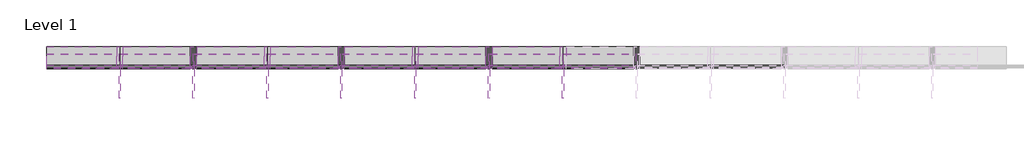
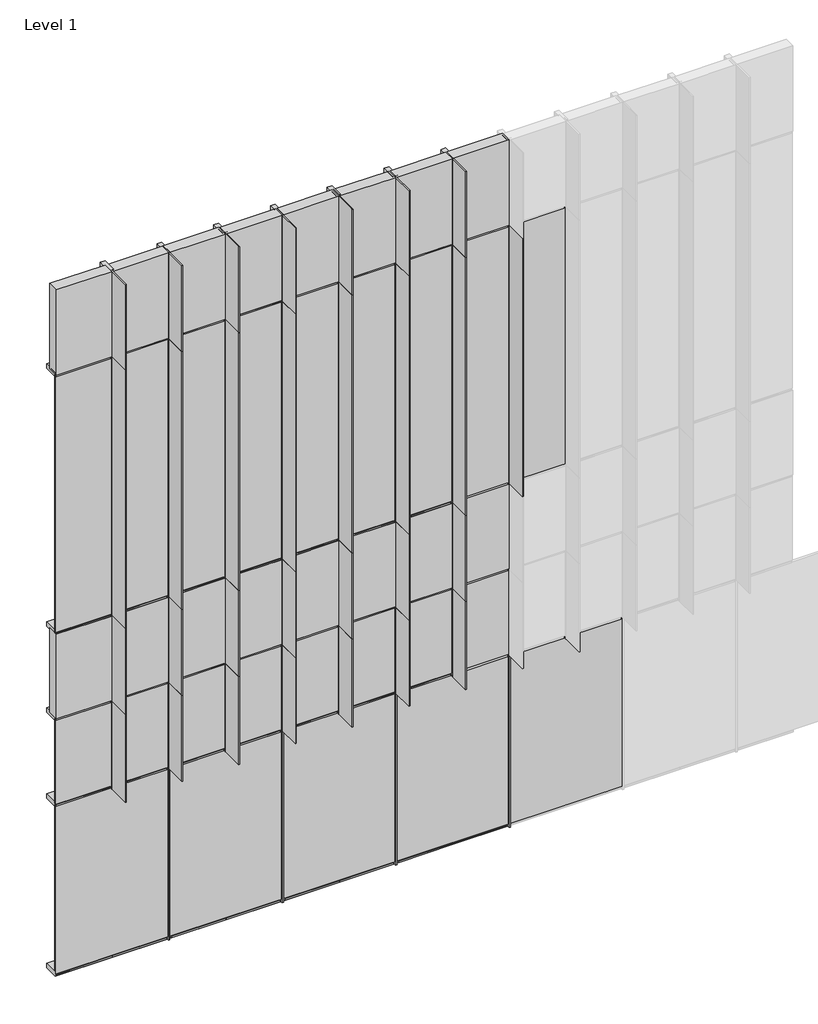
# One storey, part 1 of 15: 69 members, 38 plates.
"""IFC4 building model written with IfcOpenShell, lengths in millimetres."""

import ifcopenshell
import ifcopenshell.guid

model = None  # the IFC model being written
_history = None  # IfcOwnerHistory: only IFC2X3 demands one
_inside = {}  # id of a spatial element -> (the spatial element, [elements in it])
_under = {}  # id of a project, library or spatial element -> (it, [spatial elements below it])
_declared = {}  # id of a project -> (the project, [libraries it declares])
_typed = {}  # id of a type object -> (the type object, [elements of that type])
_made_of = {}  # id of a material, layer set ... -> (it, [elements and type objects made of it])


def new_model(schema):
    """Start an empty IFC model of exactly this schema.

    Asked for "IFC4X3", IfcOpenShell would pick the latest addendum, in which some entities
    have other attributes; the version numbers below select the first issue.
    IFC2X3 requires an IfcOwnerHistory on every rooted entity: one is made here for all.
    """
    global model, _history
    if schema == "IFC4X3":
        model = ifcopenshell.file(schema_version=(4, 3, 0, 0))
    else:
        model = ifcopenshell.file(schema=schema)
    _inside.clear()
    _under.clear()
    _declared.clear()
    _typed.clear()
    _made_of.clear()
    _history = None
    if model.schema == "IFC2X3":
        org = make("IfcOrganization", Name="unknown")
        user = make(
            "IfcPersonAndOrganization",
            ThePerson=make("IfcPerson", FamilyName="unknown"),
            TheOrganization=org,
        )
        app = make(
            "IfcApplication",
            ApplicationDeveloper=org,
            Version="unknown",
            ApplicationFullName="unknown",
            ApplicationIdentifier="unknown",
        )
        _history = make(
            "IfcOwnerHistory",
            OwningUser=user,
            OwningApplication=app,
            ChangeAction="ADDED",
            CreationDate=0,
        )
    return model


def make(cls, **values):
    """One entity of the class cls with the attributes given. An attribute that is None is left unset."""
    return model.create_entity(
        cls, **{name: value for name, value in values.items() if value is not None}
    )


def rooted(cls, **values):
    """An entity with a GlobalId (a new one), such as an element, a storey or a relation."""
    return make(cls, GlobalId=ifcopenshell.guid.new(), OwnerHistory=_history, **values)


def si_unit(unit_type, name, prefix=None):
    """IfcSIUnit, for example si_unit("LENGTHUNIT", "METRE", prefix="MILLI")."""
    return make("IfcSIUnit", UnitType=unit_type, Prefix=prefix, Name=name)


def assignment(units):
    """IfcUnitAssignment: the units of a project."""
    return None if units is None else make("IfcUnitAssignment", Units=units)


def point(xyz):
    """IfcCartesianPoint."""
    return None if xyz is None else make("IfcCartesianPoint", Coordinates=xyz)


def direction(xyz):
    """IfcDirection."""
    return None if xyz is None else make("IfcDirection", DirectionRatios=xyz)


def frame(location, z_axis=None, x_axis=None):
    """IfcAxis2Placement3D, a coordinate frame: its origin and axes. An axis left out is left unset."""
    return make(
        "IfcAxis2Placement3D",
        Location=point(location),
        Axis=direction(z_axis),
        RefDirection=direction(x_axis),
    )


def origin():
    """The frame at (0, 0, 0) with its axes left unset."""
    return frame((0.0, 0.0, 0.0))


def origin_with_axes():
    """The frame at (0, 0, 0) with the z axis (0, 0, 1) and the x axis (1, 0, 0) written out."""
    return frame((0.0, 0.0, 0.0), z_axis=(0.0, 0.0, 1.0), x_axis=(1.0, 0.0, 0.0))


def place(relative_to, where):
    """IfcLocalPlacement: puts the frame where relative to a parent placement (None: the world)."""
    return make(
        "IfcLocalPlacement", PlacementRelTo=relative_to, RelativePlacement=where
    )


def context(
    kind, dimensions, precision=None, world=None, true_north=None, identifier=None
):
    """IfcGeometricRepresentationContext, for example the 3D "Model" context."""
    return make(
        "IfcGeometricRepresentationContext",
        ContextIdentifier=identifier,
        ContextType=kind,
        CoordinateSpaceDimension=dimensions,
        Precision=precision,
        WorldCoordinateSystem=world,
        TrueNorth=true_north,
    )


def project(units=None, contexts=None):
    """IfcProject with its units and contexts."""
    return rooted(
        "IfcProject",
        Name="project",
        RepresentationContexts=contexts,
        UnitsInContext=assignment(units),
    )


def spatial(cls, under=None, at=None, **own):
    """A site, building, storey or space (cls), placed at a placement, below another one or the project."""
    s = rooted(cls, ObjectPlacement=at, **own)
    if under is not None:
        _under.setdefault(under.id(), (under, []))[1].append(s)
    return s


def polyline(points):
    """IfcPolyline through the points."""
    return make("IfcPolyline", Points=[point(p) for p in points])


def outline(outer, holes=None, kind="AREA"):
    """IfcArbitraryClosedProfileDef: a profile drawn as a closed curve; with holes, ...WithVoids."""
    if holes is None:
        return make("IfcArbitraryClosedProfileDef", ProfileType=kind, OuterCurve=outer)
    return make(
        "IfcArbitraryProfileDefWithVoids",
        ProfileType=kind,
        OuterCurve=outer,
        InnerCurves=holes,
    )


def extrude(swept, where, along, depth):
    """IfcExtrudedAreaSolid: the profile swept, set in the frame where, extruded along a direction by depth."""
    return make(
        "IfcExtrudedAreaSolid",
        SweptArea=swept,
        Position=where,
        ExtrudedDirection=direction(along),
        Depth=depth,
    )


def shape(context_of_items, identifier, shape_type, items):
    """IfcShapeRepresentation: the items that make up one representation, for example the "Body"."""
    return make(
        "IfcShapeRepresentation",
        ContextOfItems=context_of_items,
        RepresentationIdentifier=identifier,
        RepresentationType=shape_type,
        Items=items,
    )


def source(mapping_origin, context_of_items, identifier, shape_type, items):
    """IfcRepresentationMap: a shape defined once, which mapped items show again and again."""
    return make(
        "IfcRepresentationMap",
        MappingOrigin=mapping_origin,
        MappedRepresentation=shape(context_of_items, identifier, shape_type, items),
    )


def transform(
    local_origin,
    x_axis=None,
    y_axis=None,
    z_axis=None,
    scale=None,
    scale2=None,
    scale3=None,
    uniform=True,
):
    """IfcCartesianTransformationOperator3D, or its non-uniform kind. x_axis, y_axis, z_axis: its Axis1, 2, 3."""
    if uniform:
        return make(
            "IfcCartesianTransformationOperator3D",
            Axis1=direction(x_axis),
            Axis2=direction(y_axis),
            LocalOrigin=point(local_origin),
            Scale=scale,
            Axis3=direction(z_axis),
        )
    return make(
        "IfcCartesianTransformationOperator3DnonUniform",
        Axis1=direction(x_axis),
        Axis2=direction(y_axis),
        LocalOrigin=point(local_origin),
        Scale=scale,
        Axis3=direction(z_axis),
        Scale2=scale2,
        Scale3=scale3,
    )


def mapped(mapping_source, mapping_target):
    """IfcMappedItem: shows the shape of a source again, moved by a transform."""
    return make(
        "IfcMappedItem", MappingSource=mapping_source, MappingTarget=mapping_target
    )


def made_of(thing, what):
    """Note that an element or type object is made of a material, layer set ...; save() writes the relation."""
    if what is not None:
        _made_of.setdefault(what.id(), (what, []))[1].append(thing)
    return thing


def element(
    cls,
    number,
    at=None,
    inside=None,
    cuts=None,
    type_object=None,
    material=None,
    context=None,
    identifier="Body",
    shape_type=None,
    held_by="IfcProductDefinitionShape",
    body=None,
    shapes=None,
    **own,
):
    """One element of the class cls, such as IfcWall. Its Tag is "e" and its number.

    at: its placement. inside: the storey or other place that contains it. cuts: it is an
    opening in that element (IfcRelVoidsElement). A single representation is given by context,
    identifier, shape_type and body (its items); several are given by shapes. held_by: the class
    of the entity that holds the representations. save() writes the other relations.
    """
    e = rooted(cls, Tag="e%d" % number, ObjectPlacement=at, **own)
    if body is not None:
        shapes = [shape(context, identifier, shape_type, body)]
    if shapes is not None:
        e.Representation = make(held_by, Representations=shapes)
    if inside is not None:
        _inside.setdefault(inside.id(), (inside, []))[1].append(e)
    if cuts is not None:
        rooted(
            "IfcRelVoidsElement", RelatingBuildingElement=cuts, RelatedOpeningElement=e
        )
    if type_object is not None:
        _typed.setdefault(type_object.id(), (type_object, []))[1].append(e)
    return made_of(e, material)


def aggregate(whole, parts):
    """IfcRelAggregates: a whole, such as a stair, and the parts it consists of."""
    return rooted("IfcRelAggregates", RelatingObject=whole, RelatedObjects=parts)


def save(model, path):
    """Write the relations noted so far, then the file.

    IfcRelAggregates (storeys below a building ...), IfcRelContainedInSpatialStructure (elements
    in a storey), IfcRelDefinesByType, IfcRelAssociatesMaterial and IfcRelDeclares: one each for
    every whole, place, type object, material and project.
    """
    for whole, parts in _under.values():
        aggregate(whole, parts)
    for where, things in _inside.values():
        rooted(
            "IfcRelContainedInSpatialStructure",
            RelatedElements=things,
            RelatingStructure=where,
        )
    for kind, things in _typed.values():
        rooted("IfcRelDefinesByType", RelatedObjects=things, RelatingType=kind)
    for what, things in _made_of.values():
        rooted("IfcRelAssociatesMaterial", RelatedObjects=things, RelatingMaterial=what)
    for by, libraries in _declared.values():
        rooted("IfcRelDeclares", RelatingContext=by, RelatedDefinitions=libraries)
    model.write(path)


def rectangular_mullion_658b0388(model_context):
    return source(origin(), model_context, "Body", "SweptSolid", [
        extrude(outline(polyline([(33.2101153, -228.6), (-30.2898847, -228.6), (-30.2898847, -26.9875), (-8.0648847, -26.9875), (-8.0648847, 0.0), (-4.8898847, 0.0), (-4.8898847, 304.8), (7.8101153, 304.8), (7.8101153, 0.0), (10.9851153, 0.0), (10.9851153, -26.9875), (33.2101153, -26.9875), (33.2101153, -228.6)])), frame((0.0, 0.0, -3657.6), z_axis=(0.0, 0.0, 1.0), x_axis=(1.0, 0.0, 0.0)), (0.0, 0.0, 1.0), 3657.6),
    ])


def rectangular_mullion_40a1b22a(model_context):
    return source(origin(), model_context, "Body", "SweptSolid", [
        extrude(outline(polyline([(33.2101153, -228.6), (-30.2898847, -228.6), (-30.2898847, -26.9875), (-8.0648847, -26.9875), (-8.0648847, 0.0), (-4.8898847, 0.0), (-4.8898847, 304.8), (7.8101153, 304.8), (7.8101153, 0.0), (10.9851153, 0.0), (10.9851153, -26.9875), (33.2101153, -26.9875), (33.2101153, -228.6)])), frame((0.0, 0.0, -1219.2), z_axis=(0.0, 0.0, 1.0), x_axis=(1.0, 0.0, 0.0)), (0.0, 0.0, 1.0), 1219.2),
    ])


def rectangular_mullion_a5d22d6a(model_context):
    return source(origin(), model_context, "Body", "SweptSolid", [
        extrude(outline(polyline([(31.75, -228.6), (-31.75, -228.6), (-31.75, -26.9875), (-9.525, -26.9875), (-9.525, 0.0), (9.525, 0.0), (9.525, -26.9875), (31.75, -26.9875), (31.75, -228.6)])), frame((0.0, 0.0, -722.1851162), z_axis=(0.0, 0.0, 1.0), x_axis=(1.0, 0.0, 0.0)), (0.0, 0.0, 1.0), 722.1851162),
    ])


def rectangular_mullion_8a8c6ea4(model_context):
    return source(origin(), model_context, "Body", "SweptSolid", [
        extrude(outline(polyline([(31.75, -228.6), (-31.75, -228.6), (-31.75, -26.9875), (-9.525, -26.9875), (-9.525, 0.0), (9.525, 0.0), (9.525, -26.9875), (31.75, -26.9875), (31.75, -228.6)])), frame((0.0, 0.0, -698.5), z_axis=(0.0, 0.0, 1.0), x_axis=(1.0, 0.0, 0.0)), (0.0, 0.0, 1.0), 698.5),
    ])


def rectangular_mullion_2ba164b7(model_context):
    return source(origin(), model_context, "Body", "SweptSolid", [
        extrude(outline(polyline([(31.75, -228.6), (-31.75, -228.6), (-31.75, -26.9875), (-9.525, -26.9875), (-9.525, 0.0), (9.525, 0.0), (9.525, -26.9875), (31.75, -26.9875), (31.75, -228.6)])), frame((0.0, 0.0, -2438.4), z_axis=(0.0, 0.0, 1.0), x_axis=(1.0, 0.0, 0.0)), (0.0, 0.0, 1.0), 2438.4),
    ])


def rectangular_mullion_79c372c8(model_context):
    return source(origin(), model_context, "Body", "SweptSolid", [
        extrude(outline(polyline([(33.2101153, -228.6), (-30.2898847, -228.6), (-30.2898847, -26.9875), (-8.0648847, -26.9875), (-8.0648847, 0.0), (-4.8898847, 0.0), (-4.8898847, 304.8), (7.8101153, 304.8), (7.8101153, 0.0), (10.9851153, 0.0), (10.9851153, -26.9875), (33.2101153, -26.9875), (33.2101153, -228.6)])), frame((0.0, 0.0, -1250.95), z_axis=(0.0, 0.0, 1.0), x_axis=(1.0, 0.0, 0.0)), (0.0, 0.0, 1.0), 1250.95),
    ])


def rectangular_mullion_a8ff40d3(model_context):
    return source(origin(), model_context, "Body", "SweptSolid", [
        extrude(outline(polyline([(31.75, -228.6), (-31.75, -228.6), (-31.75, -26.9875), (-9.525, -26.9875), (-9.525, 0.0), (9.525, 0.0), (9.525, -26.9875), (31.75, -26.9875), (31.75, -228.6)])), frame((0.0, 0.0, -697.0398847), z_axis=(0.0, 0.0, 1.0), x_axis=(1.0, 0.0, 0.0)), (0.0, 0.0, 1.0), 697.0398847),
    ])


def rectangular_mullion_34b15848(model_context):
    return source(origin(), model_context, "Body", "SweptSolid", [
        extrude(outline(polyline([(-63.5, -228.6), (-63.5, -26.9875), (-41.275, -26.9875), (-41.275, 0.0), (-22.225, 0.0), (-22.225, -26.9875), (0.0, -26.9875), (0.0, -228.6), (-63.5, -228.6)])), frame((0.0, 0.0, -730.25), z_axis=(0.0, 0.0, 1.0), x_axis=(1.0, 0.0, 0.0)), (0.0, 0.0, 1.0), 730.25),
    ])


def rectangular_mullion_8ed8d436(model_context):
    return source(origin(), model_context, "Body", "SweptSolid", [
        extrude(outline(polyline([(-63.5, -228.6), (-63.5, -26.9875), (-41.275, -26.9875), (-41.275, 0.0), (-22.225, 0.0), (-22.225, -26.9875), (0.0, -26.9875), (0.0, -228.6), (-63.5, -228.6)])), frame((0.0, 0.0, -752.475), z_axis=(0.0, 0.0, 1.0), x_axis=(1.0, 0.0, 0.0)), (0.0, 0.0, 1.0), 752.475),
    ])


def plate_6c5fabed(model_context):
    return source(origin(), model_context, "Body", "SweptSolid", [
        extrude(outline(polyline([(0.0, -752.475), (0.0, 0.0), (0.0, 752.475), (2387.6, 752.475), (2387.6, 0.0), (2387.6, -752.475), (0.0, -752.475)])), frame((0.0, 12.7, 0.0), z_axis=(0.0, 1.0, 0.0), x_axis=(0.0, 0.0, 1.0)), (0.0, 0.0, 1.0), 25.4),
    ])


def plate_482c9e5e(model_context):
    return source(origin(), model_context, "Body", "SweptSolid", [
        extrude(outline(polyline([(372.2050581, 12.7), (-372.2050581, 12.7), (-372.2050581, 38.1), (372.2050581, 38.1), (372.2050581, 12.7)])), origin_with_axes(), (0.0, 0.0, 1.0), 3638.55),
    ])


def plate_a50c4586(model_context):
    return source(origin(), model_context, "Body", "SweptSolid", [
        extrude(outline(polyline([(371.475, 12.7), (-371.475, 12.7), (-371.475, 38.1), (371.475, 38.1), (371.475, 12.7)])), origin_with_axes(), (0.0, 0.0, 1.0), 3638.55),
    ])


def plate_683185c3(model_context):
    return source(origin(), model_context, "Body", "SweptSolid", [
        extrude(outline(polyline([(372.2050577, 12.7), (-372.2050577, 12.7), (-372.2050577, 38.1), (372.2050577, 38.1), (372.2050577, 12.7)])), origin_with_axes(), (0.0, 0.0, 1.0), 1200.15),
    ])


def plate_fd20e3dd(model_context):
    return source(origin(), model_context, "Body", "SweptSolid", [
        extrude(outline(polyline([(371.475, 12.7), (-371.475, 12.7), (-371.475, 38.1), (371.475, 38.1), (371.475, 12.7)])), origin_with_axes(), (0.0, 0.0, 1.0), 1200.15),
    ])


def plate_d3d3ff75(model_context):
    return source(origin(), model_context, "Body", "SweptSolid", [
        extrude(outline(polyline([(372.2050577, 0.0), (-372.2050577, 0.0), (-372.2050577, 152.4), (372.2050577, 152.4), (372.2050577, 0.0)])), origin_with_axes(), (0.0, 0.0, 1.0), 1200.15),
    ])


def plate_d4540562(model_context):
    return source(origin(), model_context, "Body", "SweptSolid", [
        extrude(outline(polyline([(371.475, 0.0), (-371.475, 0.0), (-371.475, 152.4), (371.475, 152.4), (371.475, 0.0)])), origin_with_axes(), (0.0, 0.0, 1.0), 1200.15),
    ])


def plate_33d166f4(model_context):
    return source(origin(), model_context, "Body", "SweptSolid", [
        extrude(outline(polyline([(372.2050577, 0.0), (-372.2050577, 0.0), (-372.2050577, 152.4), (372.2050577, 152.4), (372.2050577, 0.0)])), origin_with_axes(), (0.0, 0.0, 1.0), 1209.675),
    ])


def plate_23171f9a(model_context):
    return source(origin(), model_context, "Body", "SweptSolid", [
        extrude(outline(polyline([(371.475, 0.0), (-371.475, 0.0), (-371.475, 152.4), (371.475, 152.4), (371.475, 0.0)])), origin_with_axes(), (0.0, 0.0, 1.0), 1209.675),
    ])


model = new_model("IFC4")

# Units and contexts
model_context = context("Model", 3, world=origin())
ifc_project = project(units=[si_unit("LENGTHUNIT", "METRE", prefix="MILLI")], contexts=[model_context])

# Site, building, storey
site = spatial("IfcSite", under=ifc_project)
building = spatial("IfcBuilding", under=site)
storey = spatial("IfcBuildingStorey", under=building, Name="Level 1", Elevation=0.0)

# Members
placement = place(None, origin())
rectangular_mullion_shape = rectangular_mullion_658b0388(model_context)
element("IfcMember", 1, ObjectType="Rectangular Mullion", at=placement, inside=storey, context=model_context, shape_type="MappedRepresentation", body=[
    mapped(rectangular_mullion_shape, transform((186743.8928019, 88347.5014, 4876.8), x_axis=(1.0, 0.0, 0.0), y_axis=(0.0, -1.0, 0.0), z_axis=(0.0, 0.0, -1.0))),
])
element("IfcMember", 2, ObjectType="Rectangular Mullion", at=placement, inside=storey, context=model_context, shape_type="MappedRepresentation", body=[
    mapped(rectangular_mullion_shape, transform((187505.8928019, 88347.5014, 4876.8), x_axis=(1.0, 0.0, 0.0), y_axis=(0.0, -1.0, 0.0), z_axis=(0.0, 0.0, -1.0))),
])
element("IfcMember", 3, ObjectType="Rectangular Mullion", at=placement, inside=storey, context=model_context, shape_type="MappedRepresentation", body=[
    mapped(rectangular_mullion_shape, transform((188267.8928019, 88347.5014, 4876.8), x_axis=(1.0, 0.0, 0.0), y_axis=(0.0, -1.0, 0.0), z_axis=(0.0, 0.0, -1.0))),
])
element("IfcMember", 4, ObjectType="Rectangular Mullion", at=placement, inside=storey, context=model_context, shape_type="MappedRepresentation", body=[
    mapped(rectangular_mullion_shape, transform((189029.8928019, 88347.5014, 4876.8), x_axis=(1.0, 0.0, 0.0), y_axis=(0.0, -1.0, 0.0), z_axis=(0.0, 0.0, -1.0))),
])
element("IfcMember", 5, ObjectType="Rectangular Mullion", at=placement, inside=storey, context=model_context, shape_type="MappedRepresentation", body=[
    mapped(rectangular_mullion_shape, transform((189791.8928019, 88347.5014, 4876.8), x_axis=(1.0, 0.0, 0.0), y_axis=(0.0, -1.0, 0.0), z_axis=(0.0, 0.0, -1.0))),
])
element("IfcMember", 6, ObjectType="Rectangular Mullion", at=placement, inside=storey, context=model_context, shape_type="MappedRepresentation", body=[
    mapped(rectangular_mullion_shape, transform((190553.8928019, 88347.5014, 4876.8), x_axis=(1.0, 0.0, 0.0), y_axis=(0.0, -1.0, 0.0), z_axis=(0.0, 0.0, -1.0))),
])
element("IfcMember", 7, ObjectType="Rectangular Mullion", at=placement, inside=storey, context=model_context, shape_type="MappedRepresentation", body=[
    mapped(rectangular_mullion_shape, transform((191315.8928019, 88347.5014, 4876.8), x_axis=(1.0, 0.0, 0.0), y_axis=(0.0, -1.0, 0.0), z_axis=(0.0, 0.0, -1.0))),
])
element("IfcMember", 8, ObjectType="Rectangular Mullion", at=placement, inside=storey, context=model_context, shape_type="MappedRepresentation", body=[
    mapped(rectangular_mullion_shape, transform((192077.8928019, 88347.5014, 4876.8), x_axis=(1.0, 0.0, 0.0), y_axis=(0.0, -1.0, 0.0), z_axis=(0.0, 0.0, -1.0))),
])
rectangular_mullion_2_shape = rectangular_mullion_40a1b22a(model_context)
element("IfcMember", 9, ObjectType="Rectangular Mullion", at=placement, inside=storey, context=model_context, shape_type="MappedRepresentation", body=[
    mapped(rectangular_mullion_2_shape, transform((186743.8928019, 88347.5014, 3657.6), x_axis=(1.0, 0.0, 0.0), y_axis=(0.0, -1.0, 0.0), z_axis=(0.0, 0.0, -1.0))),
])
element("IfcMember", 10, ObjectType="Rectangular Mullion", at=placement, inside=storey, context=model_context, shape_type="MappedRepresentation", body=[
    mapped(rectangular_mullion_2_shape, transform((187505.8928019, 88347.5014, 3657.6), x_axis=(1.0, 0.0, 0.0), y_axis=(0.0, -1.0, 0.0), z_axis=(0.0, 0.0, -1.0))),
])
element("IfcMember", 11, ObjectType="Rectangular Mullion", at=placement, inside=storey, context=model_context, shape_type="MappedRepresentation", body=[
    mapped(rectangular_mullion_2_shape, transform((188267.8928019, 88347.5014, 3657.6), x_axis=(1.0, 0.0, 0.0), y_axis=(0.0, -1.0, 0.0), z_axis=(0.0, 0.0, -1.0))),
])
element("IfcMember", 12, ObjectType="Rectangular Mullion", at=placement, inside=storey, context=model_context, shape_type="MappedRepresentation", body=[
    mapped(rectangular_mullion_2_shape, transform((189029.8928019, 88347.5014, 3657.6), x_axis=(1.0, 0.0, 0.0), y_axis=(0.0, -1.0, 0.0), z_axis=(0.0, 0.0, -1.0))),
])
element("IfcMember", 13, ObjectType="Rectangular Mullion", at=placement, inside=storey, context=model_context, shape_type="MappedRepresentation", body=[
    mapped(rectangular_mullion_2_shape, transform((189791.8928019, 88347.5014, 3657.6), x_axis=(1.0, 0.0, 0.0), y_axis=(0.0, -1.0, 0.0), z_axis=(0.0, 0.0, -1.0))),
])
element("IfcMember", 14, ObjectType="Rectangular Mullion", at=placement, inside=storey, context=model_context, shape_type="MappedRepresentation", body=[
    mapped(rectangular_mullion_2_shape, transform((190553.8928019, 88347.5014, 3657.6), x_axis=(1.0, 0.0, 0.0), y_axis=(0.0, -1.0, 0.0), z_axis=(0.0, 0.0, -1.0))),
])
element("IfcMember", 15, ObjectType="Rectangular Mullion", at=placement, inside=storey, context=model_context, shape_type="MappedRepresentation", body=[
    mapped(rectangular_mullion_2_shape, transform((191315.8928019, 88347.5014, 3657.6), x_axis=(1.0, 0.0, 0.0), y_axis=(0.0, -1.0, 0.0), z_axis=(0.0, 0.0, -1.0))),
])
element("IfcMember", 16, ObjectType="Rectangular Mullion", at=placement, inside=storey, context=model_context, shape_type="MappedRepresentation", body=[
    mapped(rectangular_mullion_2_shape, transform((186743.8928019, 88347.5014, 8534.4), x_axis=(1.0, 0.0, 0.0), y_axis=(0.0, -1.0, 0.0), z_axis=(0.0, 0.0, -1.0))),
])
element("IfcMember", 17, ObjectType="Rectangular Mullion", at=placement, inside=storey, context=model_context, shape_type="MappedRepresentation", body=[
    mapped(rectangular_mullion_2_shape, transform((187505.8928019, 88347.5014, 8534.4), x_axis=(1.0, 0.0, 0.0), y_axis=(0.0, -1.0, 0.0), z_axis=(0.0, 0.0, -1.0))),
])
element("IfcMember", 18, ObjectType="Rectangular Mullion", at=placement, inside=storey, context=model_context, shape_type="MappedRepresentation", body=[
    mapped(rectangular_mullion_2_shape, transform((188267.8928019, 88347.5014, 8534.4), x_axis=(1.0, 0.0, 0.0), y_axis=(0.0, -1.0, 0.0), z_axis=(0.0, 0.0, -1.0))),
])
element("IfcMember", 19, ObjectType="Rectangular Mullion", at=placement, inside=storey, context=model_context, shape_type="MappedRepresentation", body=[
    mapped(rectangular_mullion_2_shape, transform((189029.8928019, 88347.5014, 8534.4), x_axis=(1.0, 0.0, 0.0), y_axis=(0.0, -1.0, 0.0), z_axis=(0.0, 0.0, -1.0))),
])
element("IfcMember", 20, ObjectType="Rectangular Mullion", at=placement, inside=storey, context=model_context, shape_type="MappedRepresentation", body=[
    mapped(rectangular_mullion_2_shape, transform((189791.8928019, 88347.5014, 8534.4), x_axis=(1.0, 0.0, 0.0), y_axis=(0.0, -1.0, 0.0), z_axis=(0.0, 0.0, -1.0))),
])
element("IfcMember", 21, ObjectType="Rectangular Mullion", at=placement, inside=storey, context=model_context, shape_type="MappedRepresentation", body=[
    mapped(rectangular_mullion_2_shape, transform((190553.8928019, 88347.5014, 8534.4), x_axis=(1.0, 0.0, 0.0), y_axis=(0.0, -1.0, 0.0), z_axis=(0.0, 0.0, -1.0))),
])
element("IfcMember", 22, ObjectType="Rectangular Mullion", at=placement, inside=storey, context=model_context, shape_type="MappedRepresentation", body=[
    mapped(rectangular_mullion_2_shape, transform((191315.8928019, 88347.5014, 8534.4), x_axis=(1.0, 0.0, 0.0), y_axis=(0.0, -1.0, 0.0), z_axis=(0.0, 0.0, -1.0))),
])
rectangular_mullion_3_shape = rectangular_mullion_a5d22d6a(model_context)
element("IfcMember", 23, ObjectType="Rectangular Mullion", at=placement, inside=storey, context=model_context, shape_type="MappedRepresentation", body=[
    mapped(rectangular_mullion_3_shape, transform((186713.6029172, 88347.5014, 4876.8), x_axis=(0.0, 0.0, 1.0), y_axis=(0.0, -1.0, 0.0), z_axis=(1.0, 0.0, 0.0))),
])
element("IfcMember", 24, ObjectType="Rectangular Mullion", at=placement, inside=storey, context=model_context, shape_type="MappedRepresentation", body=[
    mapped(rectangular_mullion_3_shape, transform((186713.6029172, 88347.5014, 3657.6), x_axis=(0.0, 0.0, 1.0), y_axis=(0.0, -1.0, 0.0), z_axis=(1.0, 0.0, 0.0))),
])
element("IfcMember", 25, ObjectType="Rectangular Mullion", at=placement, inside=storey, context=model_context, shape_type="MappedRepresentation", body=[
    mapped(rectangular_mullion_3_shape, transform((186713.6029172, 88347.5014, 8534.4), x_axis=(0.0, 0.0, 1.0), y_axis=(0.0, -1.0, 0.0), z_axis=(1.0, 0.0, 0.0))),
])
element("IfcMember", 26, ObjectType="Rectangular Mullion", at=placement, inside=storey, context=model_context, shape_type="MappedRepresentation", body=[
    mapped(rectangular_mullion_3_shape, transform((186713.6029172, 88347.5014, 2438.4), x_axis=(0.0, 0.0, 1.0), y_axis=(0.0, -1.0, 0.0), z_axis=(1.0, 0.0, 0.0))),
])
rectangular_mullion_4_shape = rectangular_mullion_8a8c6ea4(model_context)
element("IfcMember", 27, ObjectType="Rectangular Mullion", at=placement, inside=storey, context=model_context, shape_type="MappedRepresentation", body=[
    mapped(rectangular_mullion_4_shape, transform((187475.6029172, 88347.5014, 4876.8), x_axis=(0.0, 0.0, 1.0), y_axis=(0.0, -1.0, 0.0), z_axis=(1.0, 0.0, 0.0))),
])
element("IfcMember", 28, ObjectType="Rectangular Mullion", at=placement, inside=storey, context=model_context, shape_type="MappedRepresentation", body=[
    mapped(rectangular_mullion_4_shape, transform((188237.6029172, 88347.5014, 4876.8), x_axis=(0.0, 0.0, 1.0), y_axis=(0.0, -1.0, 0.0), z_axis=(1.0, 0.0, 0.0))),
])
element("IfcMember", 29, ObjectType="Rectangular Mullion", at=placement, inside=storey, context=model_context, shape_type="MappedRepresentation", body=[
    mapped(rectangular_mullion_4_shape, transform((188999.6029172, 88347.5014, 4876.8), x_axis=(0.0, 0.0, 1.0), y_axis=(0.0, -1.0, 0.0), z_axis=(1.0, 0.0, 0.0))),
])
element("IfcMember", 30, ObjectType="Rectangular Mullion", at=placement, inside=storey, context=model_context, shape_type="MappedRepresentation", body=[
    mapped(rectangular_mullion_4_shape, transform((189761.6029172, 88347.5014, 4876.8), x_axis=(0.0, 0.0, 1.0), y_axis=(0.0, -1.0, 0.0), z_axis=(1.0, 0.0, 0.0))),
])
element("IfcMember", 31, ObjectType="Rectangular Mullion", at=placement, inside=storey, context=model_context, shape_type="MappedRepresentation", body=[
    mapped(rectangular_mullion_4_shape, transform((190523.6029172, 88347.5014, 4876.8), x_axis=(0.0, 0.0, 1.0), y_axis=(0.0, -1.0, 0.0), z_axis=(1.0, 0.0, 0.0))),
])
element("IfcMember", 32, ObjectType="Rectangular Mullion", at=placement, inside=storey, context=model_context, shape_type="MappedRepresentation", body=[
    mapped(rectangular_mullion_4_shape, transform((191285.6029172, 88347.5014, 4876.8), x_axis=(0.0, 0.0, 1.0), y_axis=(0.0, -1.0, 0.0), z_axis=(1.0, 0.0, 0.0))),
])
element("IfcMember", 33, ObjectType="Rectangular Mullion", at=placement, inside=storey, context=model_context, shape_type="MappedRepresentation", body=[
    mapped(rectangular_mullion_4_shape, transform((187475.6029172, 88347.5014, 3657.6), x_axis=(0.0, 0.0, 1.0), y_axis=(0.0, -1.0, 0.0), z_axis=(1.0, 0.0, 0.0))),
])
element("IfcMember", 34, ObjectType="Rectangular Mullion", at=placement, inside=storey, context=model_context, shape_type="MappedRepresentation", body=[
    mapped(rectangular_mullion_4_shape, transform((188237.6029172, 88347.5014, 3657.6), x_axis=(0.0, 0.0, 1.0), y_axis=(0.0, -1.0, 0.0), z_axis=(1.0, 0.0, 0.0))),
])
element("IfcMember", 35, ObjectType="Rectangular Mullion", at=placement, inside=storey, context=model_context, shape_type="MappedRepresentation", body=[
    mapped(rectangular_mullion_4_shape, transform((188999.6029172, 88347.5014, 3657.6), x_axis=(0.0, 0.0, 1.0), y_axis=(0.0, -1.0, 0.0), z_axis=(1.0, 0.0, 0.0))),
])
element("IfcMember", 36, ObjectType="Rectangular Mullion", at=placement, inside=storey, context=model_context, shape_type="MappedRepresentation", body=[
    mapped(rectangular_mullion_4_shape, transform((189761.6029172, 88347.5014, 3657.6), x_axis=(0.0, 0.0, 1.0), y_axis=(0.0, -1.0, 0.0), z_axis=(1.0, 0.0, 0.0))),
])
element("IfcMember", 37, ObjectType="Rectangular Mullion", at=placement, inside=storey, context=model_context, shape_type="MappedRepresentation", body=[
    mapped(rectangular_mullion_4_shape, transform((190523.6029172, 88347.5014, 3657.6), x_axis=(0.0, 0.0, 1.0), y_axis=(0.0, -1.0, 0.0), z_axis=(1.0, 0.0, 0.0))),
])
element("IfcMember", 38, ObjectType="Rectangular Mullion", at=placement, inside=storey, context=model_context, shape_type="MappedRepresentation", body=[
    mapped(rectangular_mullion_4_shape, transform((191285.6029172, 88347.5014, 3657.6), x_axis=(0.0, 0.0, 1.0), y_axis=(0.0, -1.0, 0.0), z_axis=(1.0, 0.0, 0.0))),
])
element("IfcMember", 39, ObjectType="Rectangular Mullion", at=placement, inside=storey, context=model_context, shape_type="MappedRepresentation", body=[
    mapped(rectangular_mullion_4_shape, transform((187475.6029172, 88347.5014, 8534.4), x_axis=(0.0, 0.0, 1.0), y_axis=(0.0, -1.0, 0.0), z_axis=(1.0, 0.0, 0.0))),
])
element("IfcMember", 40, ObjectType="Rectangular Mullion", at=placement, inside=storey, context=model_context, shape_type="MappedRepresentation", body=[
    mapped(rectangular_mullion_4_shape, transform((188237.6029172, 88347.5014, 8534.4), x_axis=(0.0, 0.0, 1.0), y_axis=(0.0, -1.0, 0.0), z_axis=(1.0, 0.0, 0.0))),
])
element("IfcMember", 41, ObjectType="Rectangular Mullion", at=placement, inside=storey, context=model_context, shape_type="MappedRepresentation", body=[
    mapped(rectangular_mullion_4_shape, transform((188999.6029172, 88347.5014, 8534.4), x_axis=(0.0, 0.0, 1.0), y_axis=(0.0, -1.0, 0.0), z_axis=(1.0, 0.0, 0.0))),
])
element("IfcMember", 42, ObjectType="Rectangular Mullion", at=placement, inside=storey, context=model_context, shape_type="MappedRepresentation", body=[
    mapped(rectangular_mullion_4_shape, transform((189761.6029172, 88347.5014, 8534.4), x_axis=(0.0, 0.0, 1.0), y_axis=(0.0, -1.0, 0.0), z_axis=(1.0, 0.0, 0.0))),
])
element("IfcMember", 43, ObjectType="Rectangular Mullion", at=placement, inside=storey, context=model_context, shape_type="MappedRepresentation", body=[
    mapped(rectangular_mullion_4_shape, transform((190523.6029172, 88347.5014, 8534.4), x_axis=(0.0, 0.0, 1.0), y_axis=(0.0, -1.0, 0.0), z_axis=(1.0, 0.0, 0.0))),
])
element("IfcMember", 44, ObjectType="Rectangular Mullion", at=placement, inside=storey, context=model_context, shape_type="MappedRepresentation", body=[
    mapped(rectangular_mullion_4_shape, transform((191285.6029172, 88347.5014, 8534.4), x_axis=(0.0, 0.0, 1.0), y_axis=(0.0, -1.0, 0.0), z_axis=(1.0, 0.0, 0.0))),
])
element("IfcMember", 45, ObjectType="Rectangular Mullion", at=placement, inside=storey, context=model_context, shape_type="MappedRepresentation", body=[
    mapped(rectangular_mullion_4_shape, transform((188237.6029172, 88347.5014, 2438.4), x_axis=(0.0, 0.0, 1.0), y_axis=(0.0, -1.0, 0.0), z_axis=(1.0, 0.0, 0.0))),
])
element("IfcMember", 46, ObjectType="Rectangular Mullion", at=placement, inside=storey, context=model_context, shape_type="MappedRepresentation", body=[
    mapped(rectangular_mullion_4_shape, transform((189761.6029172, 88347.5014, 2438.4), x_axis=(0.0, 0.0, 1.0), y_axis=(0.0, -1.0, 0.0), z_axis=(1.0, 0.0, 0.0))),
])
element("IfcMember", 47, ObjectType="Rectangular Mullion", at=placement, inside=storey, context=model_context, shape_type="MappedRepresentation", body=[
    mapped(rectangular_mullion_4_shape, transform((191285.6029172, 88347.5014, 2438.4), x_axis=(0.0, 0.0, 1.0), y_axis=(0.0, -1.0, 0.0), z_axis=(1.0, 0.0, 0.0))),
])
rectangular_mullion_5_shape = rectangular_mullion_2ba164b7(model_context)
element("IfcMember", 48, ObjectType="Rectangular Mullion", at=placement, inside=storey, context=model_context, shape_type="MappedRepresentation", body=[
    mapped(rectangular_mullion_5_shape, transform((187505.8928019, 88347.5014, 0.0), x_axis=(1.0, 0.0, 0.0), y_axis=(0.0, -1.0, 0.0), z_axis=(0.0, 0.0, -1.0))),
])
element("IfcMember", 49, ObjectType="Rectangular Mullion", at=placement, inside=storey, context=model_context, shape_type="MappedRepresentation", body=[
    mapped(rectangular_mullion_5_shape, transform((189029.8928019, 88347.5014, 0.0), x_axis=(1.0, 0.0, 0.0), y_axis=(0.0, -1.0, 0.0), z_axis=(0.0, 0.0, -1.0))),
])
element("IfcMember", 50, ObjectType="Rectangular Mullion", at=placement, inside=storey, context=model_context, shape_type="MappedRepresentation", body=[
    mapped(rectangular_mullion_5_shape, transform((190553.8928019, 88347.5014, 0.0), x_axis=(1.0, 0.0, 0.0), y_axis=(0.0, -1.0, 0.0), z_axis=(0.0, 0.0, -1.0))),
])
element("IfcMember", 51, ObjectType="Rectangular Mullion", at=placement, inside=storey, context=model_context, shape_type="MappedRepresentation", body=[
    mapped(rectangular_mullion_5_shape, transform((192077.8928019, 88347.5014, 0.0), x_axis=(1.0, 0.0, 0.0), y_axis=(0.0, -1.0, 0.0), z_axis=(0.0, 0.0, -1.0))),
])
rectangular_mullion_6_shape = rectangular_mullion_79c372c8(model_context)
element("IfcMember", 52, ObjectType="Rectangular Mullion", at=placement, inside=storey, context=model_context, shape_type="MappedRepresentation", body=[
    mapped(rectangular_mullion_6_shape, transform((186743.8928019, 88347.5014, 2406.65), x_axis=(1.0, 0.0, 0.0), y_axis=(0.0, -1.0, 0.0), z_axis=(0.0, 0.0, -1.0))),
])
element("IfcMember", 53, ObjectType="Rectangular Mullion", at=placement, inside=storey, context=model_context, shape_type="MappedRepresentation", body=[
    mapped(rectangular_mullion_6_shape, transform((188267.8928019, 88347.5014, 2406.65), x_axis=(1.0, 0.0, 0.0), y_axis=(0.0, -1.0, 0.0), z_axis=(0.0, 0.0, -1.0))),
])
element("IfcMember", 54, ObjectType="Rectangular Mullion", at=placement, inside=storey, context=model_context, shape_type="MappedRepresentation", body=[
    mapped(rectangular_mullion_6_shape, transform((189791.8928019, 88347.5014, 2406.65), x_axis=(1.0, 0.0, 0.0), y_axis=(0.0, -1.0, 0.0), z_axis=(0.0, 0.0, -1.0))),
])
element("IfcMember", 55, ObjectType="Rectangular Mullion", at=placement, inside=storey, context=model_context, shape_type="MappedRepresentation", body=[
    mapped(rectangular_mullion_6_shape, transform((191315.8928019, 88347.5014, 2406.65), x_axis=(1.0, 0.0, 0.0), y_axis=(0.0, -1.0, 0.0), z_axis=(0.0, 0.0, -1.0))),
])
element("IfcMember", 56, ObjectType="Rectangular Mullion", at=placement, inside=storey, context=model_context, shape_type="MappedRepresentation", body=[
    mapped(rectangular_mullion_2_shape, transform((187505.8928019, 88347.5014, 2438.4), x_axis=(1.0, 0.0, 0.0), y_axis=(0.0, -1.0, 0.0), z_axis=(0.0, 0.0, -1.0))),
])
element("IfcMember", 57, ObjectType="Rectangular Mullion", at=placement, inside=storey, context=model_context, shape_type="MappedRepresentation", body=[
    mapped(rectangular_mullion_2_shape, transform((189029.8928019, 88347.5014, 2438.4), x_axis=(1.0, 0.0, 0.0), y_axis=(0.0, -1.0, 0.0), z_axis=(0.0, 0.0, -1.0))),
])
element("IfcMember", 58, ObjectType="Rectangular Mullion", at=placement, inside=storey, context=model_context, shape_type="MappedRepresentation", body=[
    mapped(rectangular_mullion_2_shape, transform((190553.8928019, 88347.5014, 2438.4), x_axis=(1.0, 0.0, 0.0), y_axis=(0.0, -1.0, 0.0), z_axis=(0.0, 0.0, -1.0))),
])
rectangular_mullion_7_shape = rectangular_mullion_a8ff40d3(model_context)
element("IfcMember", 59, ObjectType="Rectangular Mullion", at=placement, inside=storey, context=model_context, shape_type="MappedRepresentation", body=[
    mapped(rectangular_mullion_7_shape, transform((187474.1428019, 88347.5014, 2438.4), x_axis=(0.0, 0.0, 1.0), y_axis=(0.0, -1.0, 0.0), z_axis=(1.0, 0.0, 0.0))),
])
element("IfcMember", 60, ObjectType="Rectangular Mullion", at=placement, inside=storey, context=model_context, shape_type="MappedRepresentation", body=[
    mapped(rectangular_mullion_7_shape, transform((188998.1428019, 88347.5014, 2438.4), x_axis=(0.0, 0.0, 1.0), y_axis=(0.0, -1.0, 0.0), z_axis=(1.0, 0.0, 0.0))),
])
element("IfcMember", 61, ObjectType="Rectangular Mullion", at=placement, inside=storey, context=model_context, shape_type="MappedRepresentation", body=[
    mapped(rectangular_mullion_7_shape, transform((190522.1428019, 88347.5014, 2438.4), x_axis=(0.0, 0.0, 1.0), y_axis=(0.0, -1.0, 0.0), z_axis=(1.0, 0.0, 0.0))),
])
rectangular_mullion_8_shape = rectangular_mullion_34b15848(model_context)
element("IfcMember", 62, ObjectType="Rectangular Mullion", at=placement, inside=storey, context=model_context, shape_type="MappedRepresentation", body=[
    mapped(rectangular_mullion_8_shape, transform((190585.6428019, 88347.5014, 0.0), x_axis=(0.0, 0.0, -1.0), y_axis=(0.0, -1.0, 0.0), z_axis=(-1.0, 0.0, 0.0))),
])
element("IfcMember", 63, ObjectType="Rectangular Mullion", at=placement, inside=storey, context=model_context, shape_type="MappedRepresentation", body=[
    mapped(rectangular_mullion_8_shape, transform((189061.6428019, 88347.5014, 0.0), x_axis=(0.0, 0.0, -1.0), y_axis=(0.0, -1.0, 0.0), z_axis=(-1.0, 0.0, 0.0))),
])
element("IfcMember", 64, ObjectType="Rectangular Mullion", at=placement, inside=storey, context=model_context, shape_type="MappedRepresentation", body=[
    mapped(rectangular_mullion_8_shape, transform((187537.6428019, 88347.5014, 0.0), x_axis=(0.0, 0.0, -1.0), y_axis=(0.0, -1.0, 0.0), z_axis=(-1.0, 0.0, 0.0))),
])
element("IfcMember", 65, ObjectType="Rectangular Mullion", at=placement, inside=storey, context=model_context, shape_type="MappedRepresentation", body=[
    mapped(rectangular_mullion_8_shape, transform((191315.8928019, 88347.5014, 0.0), x_axis=(0.0, 0.0, -1.0), y_axis=(0.0, -1.0, 0.0), z_axis=(-1.0, 0.0, 0.0))),
])
element("IfcMember", 66, ObjectType="Rectangular Mullion", at=placement, inside=storey, context=model_context, shape_type="MappedRepresentation", body=[
    mapped(rectangular_mullion_8_shape, transform((189791.8928019, 88347.5014, 0.0), x_axis=(0.0, 0.0, -1.0), y_axis=(0.0, -1.0, 0.0), z_axis=(-1.0, 0.0, 0.0))),
])
element("IfcMember", 67, ObjectType="Rectangular Mullion", at=placement, inside=storey, context=model_context, shape_type="MappedRepresentation", body=[
    mapped(rectangular_mullion_8_shape, transform((188267.8928019, 88347.5014, 0.0), x_axis=(0.0, 0.0, -1.0), y_axis=(0.0, -1.0, 0.0), z_axis=(-1.0, 0.0, 0.0))),
])
element("IfcMember", 68, ObjectType="Rectangular Mullion", at=placement, inside=storey, context=model_context, shape_type="MappedRepresentation", body=[
    mapped(rectangular_mullion_8_shape, transform((186743.8928019, 88347.5014, 0.0), x_axis=(0.0, 0.0, -1.0), y_axis=(0.0, -1.0, 0.0), z_axis=(-1.0, 0.0, 0.0))),
])
rectangular_mullion_9_shape = rectangular_mullion_8ed8d436(model_context)
element("IfcMember", 69, ObjectType="Rectangular Mullion", at=placement, inside=storey, context=model_context, shape_type="MappedRepresentation", body=[
    mapped(rectangular_mullion_9_shape, transform((185991.4178019, 88347.5014, 0.0), x_axis=(0.0, 0.0, -1.0), y_axis=(0.0, -1.0, 0.0), z_axis=(-1.0, 0.0, 0.0))),
])

# Plates
plate_shape = plate_6c5fabed(model_context)
element("IfcPlate", 70, ObjectType="System Panel : 1\" Glass - Exterior - GL-1", at=placement, inside=storey, context=model_context, shape_type="MappedRepresentation", body=[
    mapped(plate_shape, transform((186743.8928019, 88347.5014, 41.275), x_axis=(1.0, 0.0, 0.0), y_axis=(0.0, 1.0, 0.0), z_axis=(0.0, 0.0, 1.0))),
])
element("IfcPlate", 71, ObjectType="System Panel : 1\" Glass - Exterior - GL-1", at=placement, inside=storey, context=model_context, shape_type="MappedRepresentation", body=[
    mapped(plate_shape, transform((188267.8928019, 88347.5014, 41.275), x_axis=(1.0, 0.0, 0.0), y_axis=(0.0, 1.0, 0.0), z_axis=(0.0, 0.0, 1.0))),
])
element("IfcPlate", 72, ObjectType="System Panel : 1\" Glass - Exterior - GL-1", at=placement, inside=storey, context=model_context, shape_type="MappedRepresentation", body=[
    mapped(plate_shape, transform((189791.8928019, 88347.5014, 41.275), x_axis=(1.0, 0.0, 0.0), y_axis=(0.0, 1.0, 0.0), z_axis=(0.0, 0.0, 1.0))),
])
element("IfcPlate", 73, ObjectType="System Panel : 1\" Glass - Exterior - GL-1", at=placement, inside=storey, context=model_context, shape_type="MappedRepresentation", body=[
    mapped(plate_shape, transform((191315.8928019, 88347.5014, 41.275), x_axis=(1.0, 0.0, 0.0), y_axis=(0.0, 1.0, 0.0), z_axis=(0.0, 0.0, 1.0))),
])
element("IfcPlate", 74, ObjectType="System Panel : 1\" Glass - Exterior - GL-1", at=placement, inside=storey, context=model_context, shape_type="MappedRepresentation", body=[
    mapped(plate_shape, transform((192839.8928019, 88347.5014, 41.275), x_axis=(1.0, 0.0, 0.0), y_axis=(0.0, 1.0, 0.0), z_axis=(0.0, 0.0, 1.0))),
])
plate_2_shape = plate_482c9e5e(model_context)
element("IfcPlate", 75, ObjectType="System Panel : 1\" Glass - Exterior - GL-1", at=placement, inside=storey, context=model_context, shape_type="MappedRepresentation", body=[
    mapped(plate_2_shape, transform((186363.6228595, 88347.5014, 4886.325), x_axis=(1.0, 0.0, 0.0), y_axis=(0.0, 1.0, 0.0), z_axis=(0.0, 0.0, 1.0))),
])
plate_3_shape = plate_a50c4586(model_context)
element("IfcPlate", 76, ObjectType="System Panel : 1\" Glass - Exterior - GL-1", at=placement, inside=storey, context=model_context, shape_type="MappedRepresentation", body=[
    mapped(plate_3_shape, transform((187126.3529172, 88347.5014, 4886.325), x_axis=(1.0, 0.0, 0.0), y_axis=(0.0, 1.0, 0.0), z_axis=(0.0, 0.0, 1.0))),
])
element("IfcPlate", 77, ObjectType="System Panel : 1\" Glass - Exterior - GL-1", at=placement, inside=storey, context=model_context, shape_type="MappedRepresentation", body=[
    mapped(plate_3_shape, transform((187888.3529172, 88347.5014, 4886.325), x_axis=(1.0, 0.0, 0.0), y_axis=(0.0, 1.0, 0.0), z_axis=(0.0, 0.0, 1.0))),
])
element("IfcPlate", 78, ObjectType="System Panel : 1\" Glass - Exterior - GL-1", at=placement, inside=storey, context=model_context, shape_type="MappedRepresentation", body=[
    mapped(plate_3_shape, transform((188650.3529172, 88347.5014, 4886.325), x_axis=(1.0, 0.0, 0.0), y_axis=(0.0, 1.0, 0.0), z_axis=(0.0, 0.0, 1.0))),
])
element("IfcPlate", 79, ObjectType="System Panel : 1\" Glass - Exterior - GL-1", at=placement, inside=storey, context=model_context, shape_type="MappedRepresentation", body=[
    mapped(plate_3_shape, transform((189412.3529172, 88347.5014, 4886.325), x_axis=(1.0, 0.0, 0.0), y_axis=(0.0, 1.0, 0.0), z_axis=(0.0, 0.0, 1.0))),
])
element("IfcPlate", 80, ObjectType="System Panel : 1\" Glass - Exterior - GL-1", at=placement, inside=storey, context=model_context, shape_type="MappedRepresentation", body=[
    mapped(plate_3_shape, transform((190174.3529172, 88347.5014, 4886.325), x_axis=(1.0, 0.0, 0.0), y_axis=(0.0, 1.0, 0.0), z_axis=(0.0, 0.0, 1.0))),
])
element("IfcPlate", 81, ObjectType="System Panel : 1\" Glass - Exterior - GL-1", at=placement, inside=storey, context=model_context, shape_type="MappedRepresentation", body=[
    mapped(plate_3_shape, transform((190936.3529172, 88347.5014, 4886.325), x_axis=(1.0, 0.0, 0.0), y_axis=(0.0, 1.0, 0.0), z_axis=(0.0, 0.0, 1.0))),
])
element("IfcPlate", 82, ObjectType="System Panel : 1\" Glass - Exterior - GL-1", at=placement, inside=storey, context=model_context, shape_type="MappedRepresentation", body=[
    mapped(plate_3_shape, transform((191698.3529172, 88347.5014, 4886.325), x_axis=(1.0, 0.0, 0.0), y_axis=(0.0, 1.0, 0.0), z_axis=(0.0, 0.0, 1.0))),
])
element("IfcPlate", 83, ObjectType="System Panel : 1\" Glass - Exterior - GL-1", at=placement, inside=storey, context=model_context, shape_type="MappedRepresentation", body=[
    mapped(plate_3_shape, transform((192460.3529172, 88347.5014, 4886.325), x_axis=(1.0, 0.0, 0.0), y_axis=(0.0, 1.0, 0.0), z_axis=(0.0, 0.0, 1.0))),
])
plate_4_shape = plate_683185c3(model_context)
element("IfcPlate", 84, ObjectType="System Panel : 1\" Glass - Exterior - GL-1", at=placement, inside=storey, context=model_context, shape_type="MappedRepresentation", body=[
    mapped(plate_4_shape, transform((186363.6228595, 88347.5014, 2447.925), x_axis=(1.0, 0.0, 0.0), y_axis=(0.0, 1.0, 0.0), z_axis=(0.0, 0.0, 1.0))),
])
plate_5_shape = plate_fd20e3dd(model_context)
element("IfcPlate", 85, ObjectType="System Panel : 1\" Glass - Exterior - GL-1", at=placement, inside=storey, context=model_context, shape_type="MappedRepresentation", body=[
    mapped(plate_5_shape, transform((187126.3529172, 88347.5014, 2447.925), x_axis=(1.0, 0.0, 0.0), y_axis=(0.0, 1.0, 0.0), z_axis=(0.0, 0.0, 1.0))),
])
element("IfcPlate", 86, ObjectType="System Panel : 1\" Glass - Exterior - GL-1", at=placement, inside=storey, context=model_context, shape_type="MappedRepresentation", body=[
    mapped(plate_5_shape, transform((187888.3529172, 88347.5014, 2447.925), x_axis=(1.0, 0.0, 0.0), y_axis=(0.0, 1.0, 0.0), z_axis=(0.0, 0.0, 1.0))),
])
element("IfcPlate", 87, ObjectType="System Panel : 1\" Glass - Exterior - GL-1", at=placement, inside=storey, context=model_context, shape_type="MappedRepresentation", body=[
    mapped(plate_5_shape, transform((188650.3529172, 88347.5014, 2447.925), x_axis=(1.0, 0.0, 0.0), y_axis=(0.0, 1.0, 0.0), z_axis=(0.0, 0.0, 1.0))),
])
element("IfcPlate", 88, ObjectType="System Panel : 1\" Glass - Exterior - GL-1", at=placement, inside=storey, context=model_context, shape_type="MappedRepresentation", body=[
    mapped(plate_5_shape, transform((189412.3529172, 88347.5014, 2447.925), x_axis=(1.0, 0.0, 0.0), y_axis=(0.0, 1.0, 0.0), z_axis=(0.0, 0.0, 1.0))),
])
element("IfcPlate", 89, ObjectType="System Panel : 1\" Glass - Exterior - GL-1", at=placement, inside=storey, context=model_context, shape_type="MappedRepresentation", body=[
    mapped(plate_5_shape, transform((190174.3529172, 88347.5014, 2447.925), x_axis=(1.0, 0.0, 0.0), y_axis=(0.0, 1.0, 0.0), z_axis=(0.0, 0.0, 1.0))),
])
element("IfcPlate", 90, ObjectType="System Panel : 1\" Glass - Exterior - GL-1", at=placement, inside=storey, context=model_context, shape_type="MappedRepresentation", body=[
    mapped(plate_5_shape, transform((190936.3529172, 88347.5014, 2447.925), x_axis=(1.0, 0.0, 0.0), y_axis=(0.0, 1.0, 0.0), z_axis=(0.0, 0.0, 1.0))),
])
element("IfcPlate", 91, ObjectType="System Panel : 1\" Glass - Exterior - GL-1", at=placement, inside=storey, context=model_context, shape_type="MappedRepresentation", body=[
    mapped(plate_5_shape, transform((191698.3529172, 88347.5014, 2447.925), x_axis=(1.0, 0.0, 0.0), y_axis=(0.0, 1.0, 0.0), z_axis=(0.0, 0.0, 1.0))),
])
plate_6_shape = plate_d3d3ff75(model_context)
element("IfcPlate", 92, ObjectType="System Panel : 1\" Glass - Exterior - GL-2 - Shadow Box", at=placement, inside=storey, context=model_context, shape_type="MappedRepresentation", body=[
    mapped(plate_6_shape, transform((186363.6228595, 88347.5014, 3667.125), x_axis=(1.0, 0.0, 0.0), y_axis=(0.0, 1.0, 0.0), z_axis=(0.0, 0.0, 1.0))),
])
plate_7_shape = plate_d4540562(model_context)
element("IfcPlate", 93, ObjectType="System Panel : 1\" Glass - Exterior - GL-2 - Shadow Box", at=placement, inside=storey, context=model_context, shape_type="MappedRepresentation", body=[
    mapped(plate_7_shape, transform((187126.3529172, 88347.5014, 3667.125), x_axis=(1.0, 0.0, 0.0), y_axis=(0.0, 1.0, 0.0), z_axis=(0.0, 0.0, 1.0))),
])
element("IfcPlate", 94, ObjectType="System Panel : 1\" Glass - Exterior - GL-2 - Shadow Box", at=placement, inside=storey, context=model_context, shape_type="MappedRepresentation", body=[
    mapped(plate_7_shape, transform((187888.3529172, 88347.5014, 3667.125), x_axis=(1.0, 0.0, 0.0), y_axis=(0.0, 1.0, 0.0), z_axis=(0.0, 0.0, 1.0))),
])
element("IfcPlate", 95, ObjectType="System Panel : 1\" Glass - Exterior - GL-2 - Shadow Box", at=placement, inside=storey, context=model_context, shape_type="MappedRepresentation", body=[
    mapped(plate_7_shape, transform((188650.3529172, 88347.5014, 3667.125), x_axis=(1.0, 0.0, 0.0), y_axis=(0.0, 1.0, 0.0), z_axis=(0.0, 0.0, 1.0))),
])
element("IfcPlate", 96, ObjectType="System Panel : 1\" Glass - Exterior - GL-2 - Shadow Box", at=placement, inside=storey, context=model_context, shape_type="MappedRepresentation", body=[
    mapped(plate_7_shape, transform((189412.3529172, 88347.5014, 3667.125), x_axis=(1.0, 0.0, 0.0), y_axis=(0.0, 1.0, 0.0), z_axis=(0.0, 0.0, 1.0))),
])
element("IfcPlate", 97, ObjectType="System Panel : 1\" Glass - Exterior - GL-2 - Shadow Box", at=placement, inside=storey, context=model_context, shape_type="MappedRepresentation", body=[
    mapped(plate_7_shape, transform((190174.3529172, 88347.5014, 3667.125), x_axis=(1.0, 0.0, 0.0), y_axis=(0.0, 1.0, 0.0), z_axis=(0.0, 0.0, 1.0))),
])
element("IfcPlate", 98, ObjectType="System Panel : 1\" Glass - Exterior - GL-2 - Shadow Box", at=placement, inside=storey, context=model_context, shape_type="MappedRepresentation", body=[
    mapped(plate_7_shape, transform((190936.3529172, 88347.5014, 3667.125), x_axis=(1.0, 0.0, 0.0), y_axis=(0.0, 1.0, 0.0), z_axis=(0.0, 0.0, 1.0))),
])
element("IfcPlate", 99, ObjectType="System Panel : 1\" Glass - Exterior - GL-2 - Shadow Box", at=placement, inside=storey, context=model_context, shape_type="MappedRepresentation", body=[
    mapped(plate_7_shape, transform((191698.3529172, 88347.5014, 3667.125), x_axis=(1.0, 0.0, 0.0), y_axis=(0.0, 1.0, 0.0), z_axis=(0.0, 0.0, 1.0))),
])
plate_8_shape = plate_33d166f4(model_context)
element("IfcPlate", 100, ObjectType="System Panel : 1\" Glass - Exterior - GL-2 - Shadow Box", at=placement, inside=storey, context=model_context, shape_type="MappedRepresentation", body=[
    mapped(plate_8_shape, transform((186363.6228595, 88347.5014, 8543.925), x_axis=(1.0, 0.0, 0.0), y_axis=(0.0, 1.0, 0.0), z_axis=(0.0, 0.0, 1.0))),
])
plate_9_shape = plate_23171f9a(model_context)
element("IfcPlate", 101, ObjectType="System Panel : 1\" Glass - Exterior - GL-2 - Shadow Box", at=placement, inside=storey, context=model_context, shape_type="MappedRepresentation", body=[
    mapped(plate_9_shape, transform((187126.3529172, 88347.5014, 8543.925), x_axis=(1.0, 0.0, 0.0), y_axis=(0.0, 1.0, 0.0), z_axis=(0.0, 0.0, 1.0))),
])
element("IfcPlate", 102, ObjectType="System Panel : 1\" Glass - Exterior - GL-2 - Shadow Box", at=placement, inside=storey, context=model_context, shape_type="MappedRepresentation", body=[
    mapped(plate_9_shape, transform((187888.3529172, 88347.5014, 8543.925), x_axis=(1.0, 0.0, 0.0), y_axis=(0.0, 1.0, 0.0), z_axis=(0.0, 0.0, 1.0))),
])
element("IfcPlate", 103, ObjectType="System Panel : 1\" Glass - Exterior - GL-2 - Shadow Box", at=placement, inside=storey, context=model_context, shape_type="MappedRepresentation", body=[
    mapped(plate_9_shape, transform((188650.3529172, 88347.5014, 8543.925), x_axis=(1.0, 0.0, 0.0), y_axis=(0.0, 1.0, 0.0), z_axis=(0.0, 0.0, 1.0))),
])
element("IfcPlate", 104, ObjectType="System Panel : 1\" Glass - Exterior - GL-2 - Shadow Box", at=placement, inside=storey, context=model_context, shape_type="MappedRepresentation", body=[
    mapped(plate_9_shape, transform((189412.3529172, 88347.5014, 8543.925), x_axis=(1.0, 0.0, 0.0), y_axis=(0.0, 1.0, 0.0), z_axis=(0.0, 0.0, 1.0))),
])
element("IfcPlate", 105, ObjectType="System Panel : 1\" Glass - Exterior - GL-2 - Shadow Box", at=placement, inside=storey, context=model_context, shape_type="MappedRepresentation", body=[
    mapped(plate_9_shape, transform((190174.3529172, 88347.5014, 8543.925), x_axis=(1.0, 0.0, 0.0), y_axis=(0.0, 1.0, 0.0), z_axis=(0.0, 0.0, 1.0))),
])
element("IfcPlate", 106, ObjectType="System Panel : 1\" Glass - Exterior - GL-2 - Shadow Box", at=placement, inside=storey, context=model_context, shape_type="MappedRepresentation", body=[
    mapped(plate_9_shape, transform((190936.3529172, 88347.5014, 8543.925), x_axis=(1.0, 0.0, 0.0), y_axis=(0.0, 1.0, 0.0), z_axis=(0.0, 0.0, 1.0))),
])
element("IfcPlate", 107, ObjectType="System Panel : 1\" Glass - Exterior - GL-2 - Shadow Box", at=placement, inside=storey, context=model_context, shape_type="MappedRepresentation", body=[
    mapped(plate_9_shape, transform((191698.3529172, 88347.5014, 8543.925), x_axis=(1.0, 0.0, 0.0), y_axis=(0.0, 1.0, 0.0), z_axis=(0.0, 0.0, 1.0))),
])

save(model, "model.ifc")
